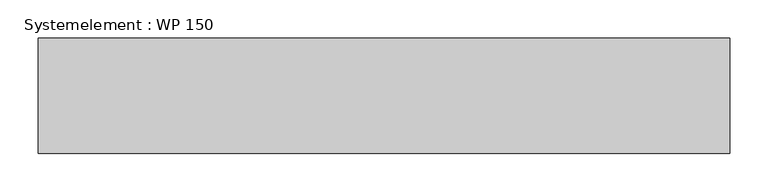
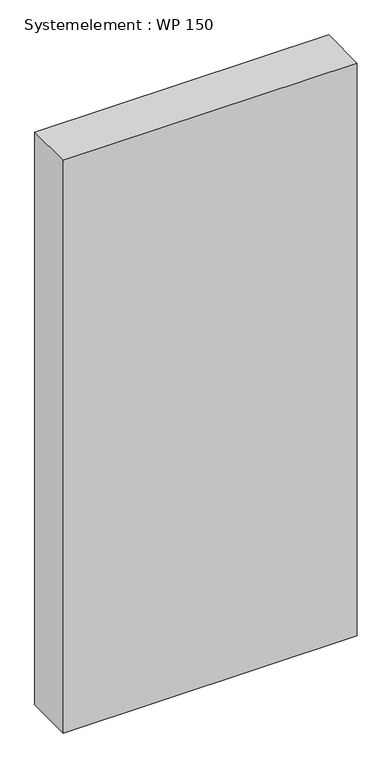
"""IFC4 building model written with IfcOpenShell, lengths in millimetres: plate geometry, Systemelement : WP 150."""

from ifc_helpers import new_model, si_unit, origin, origin_with_axes, place, context, project, spatial, polyline, outline, extrude, source, transform, mapped, element, save


def systemelement_wp_150_72a1d612(model_context):
    return source(origin(), model_context, "Body", "SweptSolid", [
        extrude(outline(polyline([(450.0, -150.0), (-450.0, -150.0), (-450.0, 0.0), (450.0, 0.0), (450.0, -150.0)])), origin_with_axes(), (0.0, 0.0, 1.0), 1851.6147161),
    ])


if __name__ == "__main__":
    model = new_model("IFC4")
    model_context = context("Model", 3, world=origin())
    ifc_project = project(units=[si_unit("LENGTHUNIT", "METRE", prefix="MILLI")], contexts=[model_context])
    site = spatial("IfcSite", under=ifc_project)
    building = spatial("IfcBuilding", under=site)
    placement = place(None, origin())
    systemelement_wp_150_shape = systemelement_wp_150_72a1d612(model_context)
    element("IfcPlate", 1, ObjectType="Systemelement : WP 150", at=placement, inside=building, context=model_context, shape_type="MappedRepresentation", body=[
        mapped(systemelement_wp_150_shape, transform((0.0, 0.0, 0.0), x_axis=(1.0, 0.0, 0.0), y_axis=(0.0, 1.0, 0.0), z_axis=(0.0, 0.0, 1.0))),
    ])
    save(model, "model.ifc")
